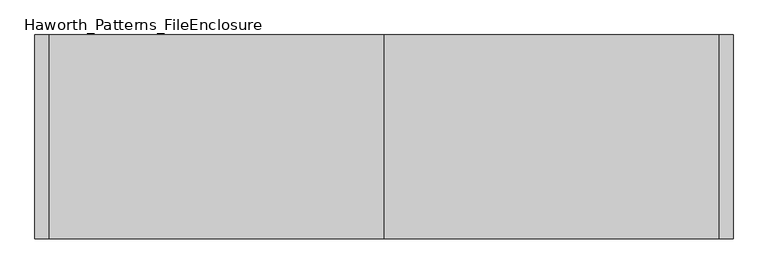
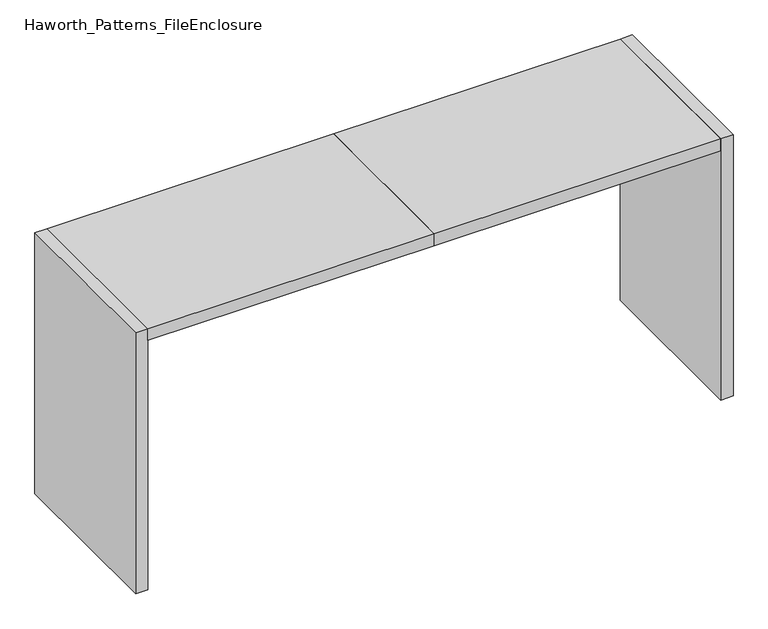
"""IFC4 building model written with IfcOpenShell, lengths in millimetres: furniture geometry, Haworth_Patterns_FileEnclosure."""

from ifc_helpers import new_model, si_unit, frame, origin, origin_with_axes, place, context, project, spatial, polyline, outline, extrude, source, transform, mapped, element, save


def haworth_patterns_fileenclosure_56652ab3(model_context):
    return source(origin(), model_context, "Body", "SweptSolid", [
        extrude(outline(polyline([(0.0, 0.0), (1752.6, 0.0), (1752.6, -1066.8), (0.0, -1066.8), (0.0, 0.0)])), frame((0.0, 0.0, 1612.9), z_axis=(0.0, 0.0, 1.0), x_axis=(1.0, 0.0, 0.0)), (0.0, 0.0, 1.0), 76.2),
        extrude(outline(polyline([(0.0, 0.0), (0.0, -1066.8), (-1752.6, -1066.8), (-1752.6, 0.0), (0.0, 0.0)])), frame((0.0, 0.0, 1612.9), z_axis=(0.0, 0.0, 1.0), x_axis=(1.0, 0.0, 0.0)), (0.0, 0.0, 1.0), 76.2),
        extrude(outline(polyline([(1752.6, 0.0), (1828.8, 0.0), (1828.8, -1066.8), (1752.6, -1066.8), (1752.6, 0.0)])), origin_with_axes(), (0.0, 0.0, 1.0), 1689.1),
        extrude(outline(polyline([(-1752.6, 0.0), (-1752.6, -1066.8), (-1828.8, -1066.8), (-1828.8, 0.0), (-1752.6, 0.0)])), origin_with_axes(), (0.0, 0.0, 1.0), 1689.1),
    ])


if __name__ == "__main__":
    model = new_model("IFC4")
    model_context = context("Model", 3, world=origin())
    ifc_project = project(units=[si_unit("LENGTHUNIT", "METRE", prefix="MILLI")], contexts=[model_context])
    site = spatial("IfcSite", under=ifc_project)
    building = spatial("IfcBuilding", under=site)
    placement = place(None, origin())
    haworth_patterns_fileenclosure_shape = haworth_patterns_fileenclosure_56652ab3(model_context)
    element("IfcFurniture", 1, ObjectType="Haworth_Patterns_FileEnclosure", at=placement, inside=building, context=model_context, shape_type="MappedRepresentation", body=[
        mapped(haworth_patterns_fileenclosure_shape, transform((0.0, 0.0, 0.0), x_axis=(1.0, 0.0, 0.0), y_axis=(0.0, 1.0, 0.0), z_axis=(0.0, 0.0, 1.0))),
    ])
    save(model, "model.ifc")
